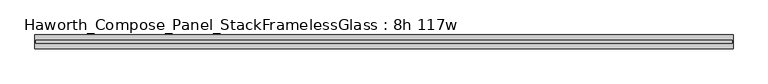
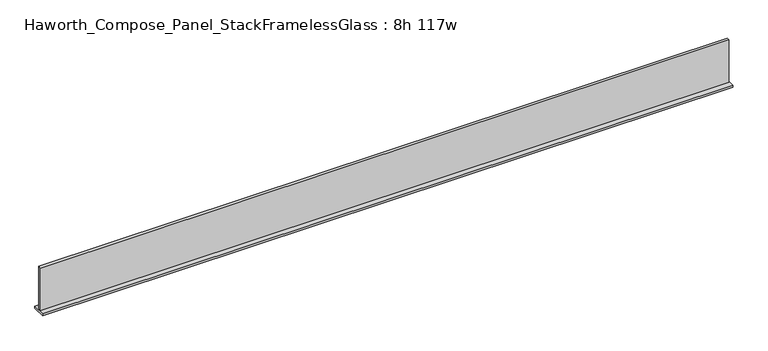
"""IFC4 building model written with IfcOpenShell, lengths in millimetres: furniture geometry, Haworth_Compose_Panel_StackFramelessGlass : 8h 117w."""

from ifc_helpers import new_model, si_unit, frame, origin, place, context, project, spatial, polyline, outline, extrude, source, transform, mapped, element, save


def haworth_compose_panel_stackframelessglass_8h_117w_9e4af0d1(model_context):
    return source(origin(), model_context, "Body", "SweptSolid", [
        extrude(outline(polyline([(1485.1652902, -27.3093594), (-1480.2847098, -27.3093594), (-1480.2847098, -14.6093594), (1485.1652902, -14.6093594), (1485.1652902, -27.3093594)])), frame((0.0, 0.0, 1279.525), z_axis=(0.0, 0.0, 1.0), x_axis=(1.0, 0.0, 0.0)), (0.0, 0.0, 1.0), 193.675),
        extrude(outline(polyline([(-1483.4597098, -50.3281094), (-1483.4597098, 8.4093906), (1488.3402902, 8.4093906), (1488.3402902, -50.3281094), (-1483.4597098, -50.3281094)])), frame((0.0, 0.0, 1270.0), z_axis=(0.0, 0.0, 1.0), x_axis=(1.0, 0.0, 0.0)), (0.0, 0.0, 1.0), 9.525),
    ])


if __name__ == "__main__":
    model = new_model("IFC4")
    model_context = context("Model", 3, world=origin())
    ifc_project = project(units=[si_unit("LENGTHUNIT", "METRE", prefix="MILLI")], contexts=[model_context])
    site = spatial("IfcSite", under=ifc_project)
    building = spatial("IfcBuilding", under=site)
    placement = place(None, origin())
    haworth_compose_panel_stackframelessglass_8h_117w_shape = haworth_compose_panel_stackframelessglass_8h_117w_9e4af0d1(model_context)
    element("IfcFurniture", 1, ObjectType="Haworth_Compose_Panel_StackFramelessGlass : 8h 117w", at=placement, inside=building, context=model_context, shape_type="MappedRepresentation", body=[
        mapped(haworth_compose_panel_stackframelessglass_8h_117w_shape, transform((0.0, 0.0, 0.0), x_axis=(1.0, 0.0, 0.0), y_axis=(0.0, 1.0, 0.0), z_axis=(0.0, 0.0, 1.0))),
    ])
    save(model, "model.ifc")
